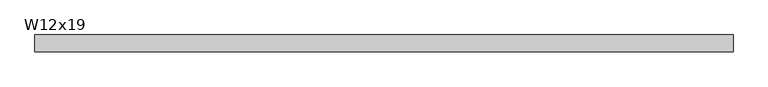
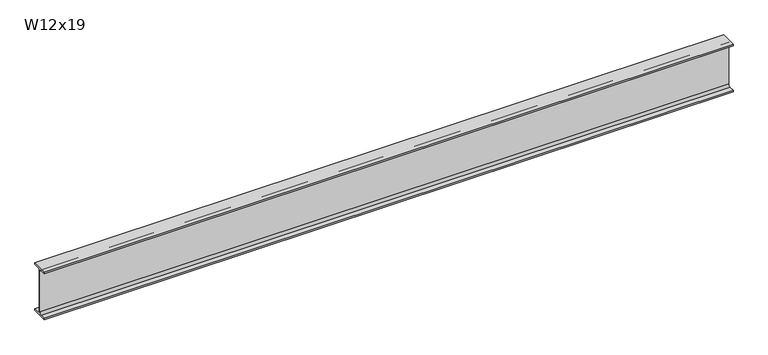
"""IFC4 building model written with IfcOpenShell, lengths in millimetres: beam geometry, W12x19."""

from ifc_helpers import new_model, si_unit, point, frame, frame_2d, origin, place, context, project, spatial, polyline, circle_curve, trimmed, segment, composite_curve, outline, extrude, source, transform, mapped, element, save


def w12x19_10f0f185(model_context):
    return source(origin(), model_context, "Body", "SweptSolid", [
        extrude(outline(composite_curve([segment(polyline([(50.927, -146.05), (50.927, -154.94), (-50.927, -154.94), (-50.927, -146.05), (-16.3195, -146.05)]), True, "CONTINUOUS"), segment(trimmed(circle_curve(frame_2d((-16.3195, -132.715)), 13.335), [point((-16.3195, -146.05))], [point((-2.9845, -132.715))], True, "CARTESIAN"), True, "CONTINUOUS"), segment(polyline([(-2.9845, -132.715), (-2.9845, 132.715)]), True, "CONTINUOUS"), segment(trimmed(circle_curve(frame_2d((-16.3195, 132.715)), 13.335), [point((-2.9845, 132.715))], [point((-16.3195, 146.05))], True, "CARTESIAN"), True, "CONTINUOUS"), segment(polyline([(-16.3195, 146.05), (-50.927, 146.05), (-50.927, 154.94), (50.927, 154.94), (50.927, 146.05), (16.3195, 146.05)]), True, "CONTINUOUS"), segment(trimmed(circle_curve(frame_2d((16.3195, 132.715)), 13.335), [point((16.3195, 146.05))], [point((2.9845, 132.715))], True, "CARTESIAN"), True, "CONTINUOUS"), segment(polyline([(2.9845, 132.715), (2.9845, -132.715)]), True, "CONTINUOUS"), segment(trimmed(circle_curve(frame_2d((16.3195, -132.715)), 13.335), [point((2.9845, -132.715))], [point((16.3195, -146.05))], True, "CARTESIAN"), True, "CONTINUOUS"), segment(polyline([(16.3195, -146.05), (50.927, -146.05)]), True, "CONTINUOUS")], self_intersect=False)), frame((-2170.2366586, 0.0, 0.0), z_axis=(1.0, 0.0, 0.0), x_axis=(0.0, 1.0, 0.0)), (0.0, 0.0, 1.0), 4264.2711563),
    ])


if __name__ == "__main__":
    model = new_model("IFC4")
    model_context = context("Model", 3, world=origin())
    ifc_project = project(units=[si_unit("LENGTHUNIT", "METRE", prefix="MILLI")], contexts=[model_context])
    site = spatial("IfcSite", under=ifc_project)
    building = spatial("IfcBuilding", under=site)
    placement = place(None, origin())
    w12x19_shape = w12x19_10f0f185(model_context)
    element("IfcBeam", 1, ObjectType="W12x19", at=placement, inside=building, context=model_context, shape_type="MappedRepresentation", body=[
        mapped(w12x19_shape, transform((0.0, 0.0, 0.0), x_axis=(1.0, 0.0, 0.0), y_axis=(0.0, 1.0, 0.0), z_axis=(0.0, 0.0, 1.0))),
    ])
    save(model, "model.ifc")
